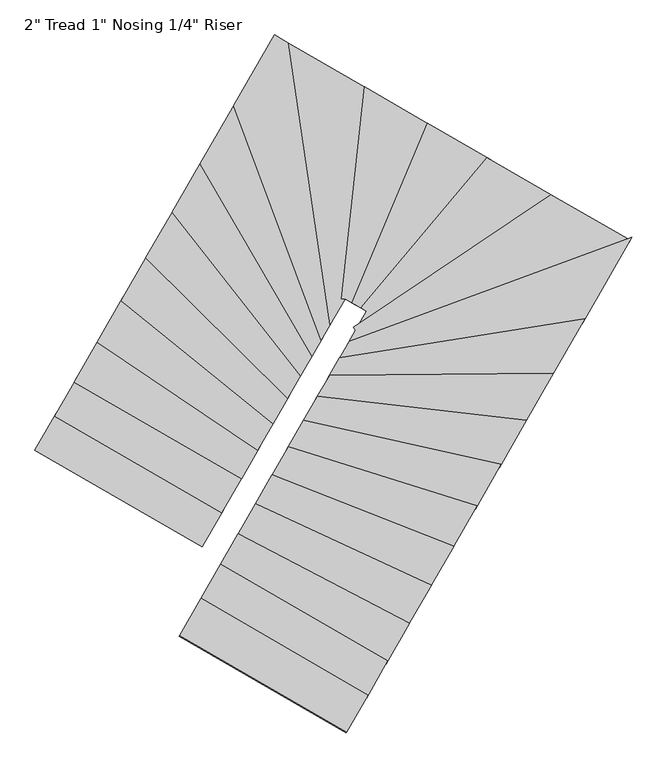
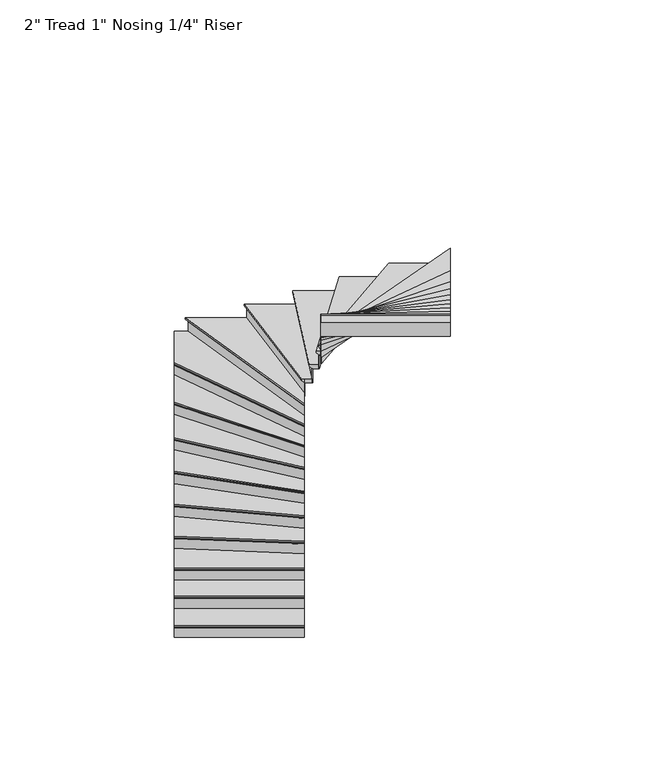
"""IFC4 building model written with IfcOpenShell, lengths in millimetres: stair flight geometry."""

from ifc_helpers import new_model, si_unit, origin, place, context, project, spatial, faceted_brep, source, transform, mapped, element, save


def stair_flight_8d68b787(model_context):
    return source(origin(), model_context, "Body", "Brep", [
        faceted_brep([(55483.3110526, -118094.4424169, 7776.7961538), (55483.3110526, -118094.4424169, 7795.8461538), (54295.3554538, -117408.8419097, 7795.8461538), (54295.3554538, -117408.8419097, 7776.7961538), (55496.0073583, -118072.4432391, 7751.3961538), (54308.0517595, -117386.8427319, 7751.3961538), (55635.6667208, -117830.4522838, 7795.8461538), (54447.7111221, -117144.8517766, 7795.8461538), (54308.0517595, -117386.8427319, 7745.0461538), (54447.7111221, -117144.8517766, 7745.0461538), (55635.6667208, -117830.4522838, 7745.0461538), (55496.0073583, -118072.4432391, 7745.0461538)], [[[0, 1, 2, 3]], [[4, 0, 3, 5]], [[2, 1, 6, 7]], [[8, 9, 10, 11]], [[2, 7, 9, 8, 5, 3]], [[8, 11, 4, 5]], [[6, 1, 0, 4, 11, 10]], [[7, 6, 10, 9]]]),
        faceted_brep([(55496.0073583, -118072.4432391, 7745.0461538), (55496.0073583, -118072.4432391, 7620.0), (55499.1814347, -118066.9434447, 7620.0), (55499.1814347, -118066.9434447, 7745.0461538), (54308.0517595, -117386.8427319, 7745.0461538), (54311.2258359, -117381.3429375, 7745.0461538), (54311.2258359, -117381.3429375, 7620.0), (54308.0517595, -117386.8427319, 7620.0)], [[[0, 1, 2, 3]], [[4, 5, 6, 7]], [[1, 0, 4, 7]], [[2, 1, 7, 6]], [[3, 2, 6, 5]], [[0, 3, 5, 4]]]),
        faceted_brep([(55635.6667208, -117830.4522838, 7920.8923077), (55635.6667208, -117830.4522838, 7745.0461538), (55638.8407972, -117824.9524894, 7745.0461538), (55638.8407972, -117824.9524894, 7920.8923077), (54447.7111221, -117144.8517766, 7920.8923077), (54450.8851985, -117139.3519822, 7920.8923077), (54450.8851985, -117139.3519822, 7745.0461538), (54447.7111221, -117144.8517766, 7745.0461538)], [[[0, 1, 2, 3]], [[4, 5, 6, 7]], [[1, 0, 4, 7]], [[2, 1, 7, 6]], [[3, 2, 6, 5]], [[0, 3, 5, 4]]]),
        faceted_brep([(54435.0148164, -117166.8509544, 7971.6923077), (55622.9704151, -117852.4514616, 7971.6923077), (55775.3260834, -117588.4613285, 7971.6923077), (54587.3704847, -116902.8608213, 7971.6923077), (54447.7111221, -117144.8517766, 7920.8923077), (54587.3704847, -116902.8608213, 7920.8923077), (55775.3260834, -117588.4613285, 7920.8923077), (55635.6667208, -117830.4522838, 7920.8923077), (54447.7111221, -117144.8517766, 7927.2423077), (54435.0148164, -117166.8509544, 7952.6423077), (55635.6667208, -117830.4522838, 7927.2423077), (55622.9704151, -117852.4514616, 7952.6423077)], [[[0, 1, 2, 3]], [[4, 5, 6, 7]], [[0, 3, 5, 4, 8, 9]], [[4, 7, 10, 8]], [[2, 1, 11, 10, 7, 6]], [[3, 2, 6, 5]], [[11, 1, 0, 9]], [[10, 11, 9, 8]]]),
        faceted_brep([(55775.3260834, -117588.4613285, 8096.7384615), (55775.3260834, -117588.4613285, 7920.8923077), (55778.5001598, -117582.9615341, 7920.8923077), (55778.5001598, -117582.9615341, 8096.7384615), (54587.3704847, -116902.8608213, 8096.7384615), (54590.5445611, -116897.3610269, 8096.7384615), (54590.5445611, -116897.3610269, 7920.8923077), (54587.3704847, -116902.8608213, 7920.8923077)], [[[0, 1, 2, 3]], [[4, 5, 6, 7]], [[1, 0, 4, 7]], [[2, 1, 7, 6]], [[3, 2, 6, 5]], [[0, 3, 5, 4]]]),
        faceted_brep([(54574.674179, -116924.8599991, 8147.5384615), (55762.6297777, -117610.4605063, 8147.5384615), (55890.6801358, -117388.5847372, 8147.5384615), (54751.3990709, -116618.6447577, 8147.5384615), (54587.3704847, -116902.8608213, 8096.7384615), (54751.3990709, -116618.6447577, 8096.7384615), (55890.6801358, -117388.5847372, 8096.7384615), (55775.3260834, -117588.4613285, 8096.7384615), (54587.3704847, -116902.8608213, 8103.0884615), (54574.674179, -116924.8599991, 8128.4884615), (55775.3260834, -117588.4613285, 8103.0884615), (55762.6297777, -117610.4605063, 8128.4884615)], [[[0, 1, 2, 3]], [[4, 5, 6, 7]], [[0, 3, 5, 4, 8, 9]], [[4, 7, 10, 8]], [[2, 1, 11, 10, 7, 6]], [[3, 2, 6, 5]], [[11, 1, 0, 9]], [[10, 11, 9, 8]]]),
        faceted_brep([(55890.6801358, -117388.5847372, 8272.5846154), (55890.6801358, -117388.5847372, 8096.7384615), (55893.8622014, -117383.0710997, 8096.7384615), (55893.8622014, -117383.0710997, 8272.5846154), (54751.3990709, -116618.6447577, 8272.5846154), (54754.5811365, -116613.1311202, 8272.5846154), (54754.5811365, -116613.1311202, 8096.7384615), (54751.3990709, -116618.6447577, 8096.7384615)], [[[0, 1, 2, 3]], [[4, 5, 6, 7]], [[1, 0, 4, 7]], [[2, 1, 7, 6]], [[3, 2, 6, 5]], [[0, 3, 5, 4]]]),
        faceted_brep([(54738.6708085, -116640.6993076, 8323.3846154), (55877.9518734, -117410.6392871, 8323.3846154), (56000.9924459, -117197.4440874, 8323.3846154), (54920.6524828, -116325.3755198, 8323.3846154), (54751.3990709, -116618.6447577, 8272.5846154), (54920.6524828, -116325.3755198, 8272.5846154), (56000.9924459, -117197.4440874, 8272.5846154), (55890.6801358, -117388.5847372, 8272.5846154), (54751.3990709, -116618.6447577, 8278.9346154), (54738.6708085, -116640.6993076, 8304.3346154), (55890.6801358, -117388.5847372, 8278.9346154), (55877.9518734, -117410.6392871, 8304.3346154)], [[[0, 1, 2, 3]], [[4, 5, 6, 7]], [[0, 3, 5, 4, 8, 9]], [[4, 7, 10, 8]], [[2, 1, 11, 10, 7, 6]], [[3, 2, 6, 5]], [[11, 1, 0, 9]], [[10, 11, 9, 8]]]),
        faceted_brep([(56000.9924459, -117197.4440874, 8448.4307692), (56000.9924459, -117197.4440874, 8272.5846154), (56004.2053861, -117191.8769528, 8272.5846154), (56004.2053861, -117191.8769528, 8448.4307692), (54920.6524828, -116325.3755198, 8448.4307692), (54923.865423, -116319.8083852, 8448.4307692), (54923.865423, -116319.8083852, 8272.5846154), (54920.6524828, -116325.3755198, 8272.5846154)], [[[0, 1, 2, 3]], [[4, 5, 6, 7]], [[1, 0, 4, 7]], [[2, 1, 7, 6]], [[3, 2, 6, 5]], [[0, 3, 5, 4]]]),
        faceted_brep([(54907.8007219, -116347.6440583, 8499.2307692), (55988.1406851, -117219.7126259, 8499.2307692), (56104.509378, -117018.0779439, 8499.2307692), (55097.0082074, -116019.7999431, 8499.2307692), (54920.6524828, -116325.3755198, 8448.4307692), (55097.0082074, -116019.7999431, 8448.4307692), (56104.509378, -117018.0779439, 8448.4307692), (56000.9924459, -117197.4440874, 8448.4307692), (54920.6524828, -116325.3755198, 8454.7807692), (54907.8007219, -116347.6440583, 8480.1807692), (56000.9924459, -117197.4440874, 8454.7807692), (55988.1406851, -117219.7126259, 8480.1807692)], [[[0, 1, 2, 3]], [[4, 5, 6, 7]], [[0, 3, 5, 4, 8, 9]], [[4, 7, 10, 8]], [[2, 1, 11, 10, 7, 6]], [[3, 2, 6, 5]], [[11, 1, 0, 9]], [[10, 11, 9, 8]]]),
        faceted_brep([(56104.509378, -117018.0779439, 8624.2769231), (56104.509378, -117018.0779439, 8448.4307692), (56107.7915596, -117012.390833, 8448.4307692), (56107.7915596, -117012.390833, 8624.2769231), (55097.0082074, -116019.7999431, 8624.2769231), (55100.290389, -116014.1128323, 8624.2769231), (55100.290389, -116014.1128323, 8448.4307692), (55097.0082074, -116019.7999431, 8448.4307692)], [[[0, 1, 2, 3]], [[4, 5, 6, 7]], [[1, 0, 4, 7]], [[2, 1, 7, 6]], [[3, 2, 6, 5]], [[0, 3, 5, 4]]]),
        faceted_brep([(55083.8794808, -116042.5483864, 8675.0769231), (56091.3806514, -117040.8263872, 8675.0769231), (56198.549806, -116855.1319544, 8675.0769231), (55283.3574622, -115696.9083492, 8675.0769231), (55097.0082074, -116019.7999431, 8624.2769231), (55283.3574622, -115696.9083492, 8624.2769231), (56198.549806, -116855.1319544, 8624.2769231), (56104.509378, -117018.0779439, 8624.2769231), (55097.0082074, -116019.7999431, 8630.6269231), (55083.8794808, -116042.5483864, 8656.0269231), (56104.509378, -117018.0779439, 8630.6269231), (56091.3806514, -117040.8263872, 8656.0269231)], [[[0, 1, 2, 3]], [[4, 5, 6, 7]], [[0, 3, 5, 4, 8, 9]], [[4, 7, 10, 8]], [[2, 1, 11, 10, 7, 6]], [[3, 2, 6, 5]], [[11, 1, 0, 9]], [[10, 11, 9, 8]]]),
        faceted_brep([(56198.549806, -116855.1319544, 8800.1230769), (56198.549806, -116855.1319544, 8624.2769231), (56201.9658574, -116849.2128845, 8624.2769231), (56201.9658574, -116849.2128845, 8800.1230769), (55283.3574622, -115696.9083492, 8800.1230769), (55286.7735135, -115690.9892793, 8800.1230769), (55286.7735135, -115690.9892793, 8624.2769231), (55283.3574622, -115696.9083492, 8624.2769231)], [[[0, 1, 2, 3]], [[4, 5, 6, 7]], [[1, 0, 4, 7]], [[2, 1, 7, 6]], [[3, 2, 6, 5]], [[0, 3, 5, 4]]]),
        faceted_brep([(55269.6932567, -115720.5846289, 8850.9230769), (56184.8856006, -116878.8082341, 8850.9230769), (56278.789449, -116716.0988994, 8850.9230769), (55484.3868905, -115348.5800845, 8850.9230769), (55283.3574622, -115696.9083492, 8800.1230769), (55484.3868905, -115348.5800845, 8800.1230769), (56278.789449, -116716.0988994, 8800.1230769), (56198.549806, -116855.1319544, 8800.1230769), (55283.3574622, -115696.9083492, 8806.4730769), (55269.6932567, -115720.5846289, 8831.8730769), (56198.549806, -116855.1319544, 8806.4730769), (56184.8856006, -116878.8082341, 8831.8730769)], [[[0, 1, 2, 3]], [[4, 5, 6, 7]], [[0, 3, 5, 4, 8, 9]], [[4, 7, 10, 8]], [[2, 1, 11, 10, 7, 6]], [[3, 2, 6, 5]], [[11, 1, 0, 9]], [[10, 11, 9, 8]]]),
        faceted_brep([(56278.789449, -116716.0988994, 8975.9692308), (56278.789449, -116716.0988994, 8800.1230769), (56282.4492936, -116709.7574033, 8800.1230769), (56282.4492936, -116709.7574033, 8975.9692308), (55484.3868905, -115348.5800845, 8975.9692308), (55488.0467351, -115342.2385885, 8975.9692308), (55488.0467351, -115342.2385885, 8800.1230769), (55484.3868905, -115348.5800845, 8800.1230769)], [[[0, 1, 2, 3]], [[4, 5, 6, 7]], [[1, 0, 4, 7]], [[2, 1, 7, 6]], [[3, 2, 6, 5]], [[0, 3, 5, 4]]]),
        faceted_brep([(55469.747512, -115373.9460688, 9026.7692308), (56264.1500704, -116741.4648836, 9026.7692308), (56345.5625152, -116600.3996882, 9026.7692308), (55723.7276855, -114933.8688432, 9026.7692308), (55484.3868905, -115348.5800845, 8975.9692308), (55723.7276855, -114933.8688432, 8975.9692308), (56345.5625152, -116600.3996882, 8975.9692308), (56278.789449, -116716.0988994, 8975.9692308), (55484.3868905, -115348.5800845, 8982.3192308), (55469.747512, -115373.9460688, 9007.7192308), (56278.789449, -116716.0988994, 8982.3192308), (56264.1500704, -116741.4648836, 9007.7192308)], [[[0, 1, 2, 3]], [[4, 5, 6, 7]], [[0, 3, 5, 4, 8, 9]], [[4, 7, 10, 8]], [[2, 1, 11, 10, 7, 6]], [[3, 2, 6, 5]], [[11, 1, 0, 9]], [[10, 11, 9, 8]]]),
        faceted_brep([(56345.5625152, -116600.3996882, 9151.8153846), (56345.5625152, -116600.3996882, 8975.9692308), (56349.6788281, -116593.2672591, 8975.9692308), (56349.6788281, -116593.2672591, 9151.8153846), (55723.7276855, -114933.8688432, 9151.8153846), (55727.8439985, -114926.736414, 9151.8153846), (55727.8439985, -114926.736414, 8975.9692308), (55723.7276855, -114933.8688432, 8975.9692308)], [[[0, 1, 2, 3]], [[4, 5, 6, 7]], [[1, 0, 4, 7]], [[2, 1, 7, 6]], [[3, 2, 6, 5]], [[0, 3, 5, 4]]]),
        faceted_brep([(56127.1982329, -114535.1385758, 9202.6153846), (55997.1584277, -114460.0891745, 9202.6153846), (55707.2624336, -114962.3985598, 9202.6153846), (56329.0972633, -116628.9294049, 9202.6153846), (56413.1773754, -116483.2418815, 9202.6153846), (55997.1584277, -114460.0891745, 9151.8153846), (56127.1982329, -114535.1385758, 9151.8153846), (56413.1773754, -116483.2418815, 9151.8153846), (56345.5625152, -116600.3996882, 9151.8153846), (55723.7276855, -114933.8688432, 9151.8153846), (56345.5625152, -116600.3996882, 9158.1653846), (55723.7276855, -114933.8688432, 9158.1653846), (56329.0972633, -116628.9294049, 9183.5653846), (55707.2624336, -114962.3985598, 9183.5653846)], [[[0, 1, 2, 3, 4]], [[5, 6, 7, 8, 9]], [[1, 0, 6, 5]], [[9, 8, 10, 11]], [[4, 3, 12, 10, 8, 7]], [[0, 4, 7, 6]], [[12, 3, 2, 13]], [[10, 12, 13, 11]], [[2, 1, 5, 9, 11, 13]]]),
        faceted_brep([(56413.1773754, -116483.2418815, 9327.6615385), (56413.1773754, -116483.2418815, 9151.8153846), (56418.2939673, -116474.3762462, 9151.8153846), (56418.2939673, -116474.3762462, 9327.6615385), (56127.1982329, -114535.1385758, 9327.6615385), (56134.2103671, -114539.1854634, 9327.6615385), (56134.2103671, -114539.1854634, 9151.8153846), (56127.1982329, -114535.1385758, 9151.8153846)], [[[0, 1, 2, 3]], [[4, 5, 6, 7]], [[1, 0, 4, 7]], [[2, 1, 7, 6]], [[3, 2, 6, 5]], [[0, 3, 5, 4]]]),
        faceted_brep([(56099.149696, -114518.9510254, 9378.4615385), (56392.7110076, -116518.7044225, 9378.4615385), (56498.6326324, -116335.1716132, 9378.4615385), (56660.5784854, -114842.9663868, 9378.4615385), (56127.1982329, -114535.1385758, 9327.6615385), (56660.5784854, -114842.9663868, 9327.6615385), (56498.6326324, -116335.1716132, 9327.6615385), (56413.1773754, -116483.2418815, 9327.6615385), (56127.1982329, -114535.1385758, 9334.0115385), (56099.149696, -114518.9510254, 9359.4115385), (56413.1773754, -116483.2418815, 9334.0115385), (56392.7110076, -116518.7044225, 9359.4115385)], [[[0, 1, 2, 3]], [[4, 5, 6, 7]], [[0, 3, 5, 4, 8, 9]], [[4, 7, 10, 8]], [[2, 1, 11, 10, 7, 6]], [[3, 2, 6, 5]], [[11, 1, 0, 9]], [[10, 11, 9, 8]]]),
        faceted_brep([(56498.6326324, -116335.1716132, 9503.5076923), (56498.6326324, -116335.1716132, 9327.6615385), (56504.9455634, -116335.8567421, 9327.6615385), (56504.9455634, -116335.8567421, 9503.5076923), (56660.5784854, -114842.9663868, 9503.5076923), (56666.5892895, -114846.4353804, 9503.5076923), (56666.5892895, -114846.4353804, 9327.6615385), (56660.5784854, -114842.9663868, 9327.6615385)], [[[0, 1, 2, 3]], [[4, 5, 6, 7]], [[1, 0, 4, 7]], [[2, 1, 7, 6]], [[3, 2, 6, 5]], [[0, 3, 5, 4]]]),
        faceted_brep([(56636.5352688, -114829.0904124, 9554.3076923), (56473.3809082, -116332.4310974, 9554.3076923), (56498.6326324, -116335.1716132, 9554.3076923), (56499.5135193, -116333.6452804, 9554.3076923), (56571.8409572, -116375.3873524, 9554.3076923), (57105.7801082, -115099.9039851, 9554.3076923), (56660.5784854, -114842.9663868, 9503.5076923), (57105.7801082, -115099.9039851, 9503.5076923), (56571.8409572, -116375.3873524, 9503.5076923), (56499.5135193, -116333.6452804, 9503.5076923), (56498.6326324, -116335.1716132, 9503.5076923), (56660.5784854, -114842.9663868, 9509.8576923), (56636.5352688, -114829.0904124, 9535.2576923), (56498.6326324, -116335.1716132, 9509.8576923), (56473.3809082, -116332.4310974, 9535.2576923)], [[[0, 1, 2, 3, 4, 5]], [[6, 7, 8, 9, 10]], [[0, 5, 7, 6, 11, 12]], [[6, 10, 13, 11]], [[3, 2, 13, 10, 9]], [[4, 3, 9, 8]], [[5, 4, 8, 7]], [[14, 1, 0, 12]], [[13, 14, 12, 11]], [[1, 14, 13, 2]]]),
        faceted_brep([(56571.8409572, -116375.3873524, 9679.3538462), (56571.8409572, -116375.3873524, 9503.5076923), (56577.3853899, -116378.5871907, 9503.5076923), (56577.3853899, -116378.5871907, 9679.3538462), (57105.7801082, -115099.9039851, 9679.3538462), (57111.3245409, -115103.1038234, 9679.3538462), (57111.3245409, -115103.1038234, 9503.5076923), (57105.7801082, -115099.9039851, 9503.5076923)], [[[0, 1, 2, 3]], [[4, 5, 6, 7]], [[1, 0, 4, 7]], [[2, 1, 7, 6]], [[3, 2, 6, 5]], [[0, 3, 5, 4]]]),
        faceted_brep([(57083.6023775, -115087.1046318, 9730.1538462), (56549.6632265, -116362.5879991, 9730.1538462), (56634.3598376, -116411.4686472, 9730.1538462), (57528.8643257, -115344.0770455, 9730.1538462), (57105.7801082, -115099.9039851, 9679.3538462), (57528.8643257, -115344.0770455, 9679.3538462), (56634.3598376, -116411.4686472, 9679.3538462), (56571.8409572, -116375.3873524, 9679.3538462), (57105.7801082, -115099.9039851, 9685.7038462), (57083.6023775, -115087.1046318, 9711.1038462), (56571.8409572, -116375.3873524, 9685.7038462), (56549.6632265, -116362.5879991, 9711.1038462)], [[[0, 1, 2, 3]], [[4, 5, 6, 7]], [[0, 3, 5, 4, 8, 9]], [[4, 7, 10, 8]], [[3, 2, 6, 5]], [[11, 1, 0, 9]], [[10, 11, 9, 8]], [[2, 1, 11, 10, 7, 6]]]),
        faceted_brep([(56634.3598376, -116411.4686472, 9855.2), (56634.3598376, -116411.4686472, 9679.3538462), (56639.9440219, -116414.6914272, 9679.3538462), (56639.9440219, -116414.6914272, 9855.2), (57528.8643257, -115344.0770455, 9855.2), (57534.44851, -115347.2998255, 9855.2), (57534.44851, -115347.2998255, 9679.3538462), (57528.8643257, -115344.0770455, 9679.3538462)], [[[0, 1, 2, 3]], [[4, 5, 6, 7]], [[1, 0, 4, 7]], [[2, 1, 7, 6]], [[3, 2, 6, 5]], [[0, 3, 5, 4]]]),
        faceted_brep([(57506.5275886, -115331.1859254, 9906.0), (56612.0231004, -116398.577527, 9906.0), (56652.4189133, -116421.891016, 9906.0), (56575.4284532, -116555.294138, 9906.0), (57985.3178432, -115607.508409, 9906.0), (57528.8643257, -115344.0770455, 9855.2), (57985.3178432, -115607.508409, 9855.2), (56575.4284532, -116555.294138, 9855.2), (56652.4189133, -116421.891016, 9855.2), (56634.3598376, -116411.4686472, 9855.2), (57528.8643257, -115344.0770455, 9861.55), (57506.5275886, -115331.1859254, 9886.95), (56634.3598376, -116411.4686472, 9861.55), (56612.0231004, -116398.577527, 9886.95)], [[[0, 1, 2, 3, 4]], [[5, 6, 7, 8, 9]], [[0, 4, 6, 5, 10, 11]], [[5, 9, 12, 10]], [[2, 1, 13, 12, 9, 8]], [[4, 3, 7, 6]], [[13, 1, 0, 11]], [[12, 13, 11, 10]], [[3, 2, 8, 7]]]),
        faceted_brep([(56575.4284532, -116555.294138, 10031.0461538), (56575.4284532, -116555.294138, 9855.2), (56578.9711115, -116560.5640595, 9855.2), (56578.9711115, -116560.5640595, 10031.0461538), (57985.3178432, -115607.508409, 10031.0461538), (57991.4420956, -115611.0428765, 10031.0461538), (57991.4420956, -115611.0428765, 9855.2), (57985.3178432, -115607.508409, 9855.2)], [[[0, 1, 2, 3]], [[4, 5, 6, 7]], [[1, 0, 4, 7]], [[2, 1, 7, 6]], [[3, 2, 6, 5]], [[0, 3, 5, 4]]]),
        faceted_brep([(58518.7914816, -115931.9830035, 10081.8461538), (58525.9750192, -115919.5359245, 10081.8461538), (57960.8208337, -115593.3705387, 10081.8461538), (56561.25782, -116534.2144522, 10081.8461538), (56575.4284532, -116555.294138, 10081.8461538), (56509.6610007, -116669.2508994, 10081.8461538), (58525.9750192, -115919.5359245, 10031.0461538), (58518.7914816, -115931.9830035, 10031.0461538), (56509.6610007, -116669.2508994, 10031.0461538), (56575.4284532, -116555.294138, 10031.0461538), (57985.3178432, -115607.508409, 10031.0461538), (56575.4284532, -116555.294138, 10037.3961538), (57985.3178432, -115607.508409, 10037.3961538), (56561.25782, -116534.2144522, 10062.7961538), (57960.8208337, -115593.3705387, 10062.7961538)], [[[0, 1, 2, 3, 4, 5]], [[6, 7, 8, 9, 10]], [[1, 0, 7, 6]], [[10, 9, 11, 12]], [[5, 4, 11, 9, 8]], [[0, 5, 8, 7]], [[13, 3, 2, 14]], [[11, 13, 14, 12]], [[3, 13, 11, 4]], [[2, 1, 6, 10, 12, 14]]]),
        faceted_brep([(56509.6610007, -116669.2508994, 10206.8923077), (56509.6610007, -116669.2508994, 10031.0461538), (56504.7084302, -116677.832331, 10031.0461538), (56504.7084302, -116677.832331, 10206.8923077), (58518.7914816, -115931.9830035, 10206.8923077), (58513.8389111, -115940.5644351, 10206.8923077), (58513.8389111, -115940.5644351, 10031.0461538), (58518.7914816, -115931.9830035, 10031.0461538)], [[[0, 1, 2, 3]], [[4, 5, 6, 7]], [[1, 0, 4, 7]], [[2, 1, 7, 6]], [[3, 2, 6, 5]], [[0, 3, 5, 4]]]),
        faceted_brep([(58538.6017635, -115897.6572772, 10257.6923077), (56529.4712826, -116634.9251731, 10257.6923077), (56444.5185758, -116782.1246613, 10257.6923077), (58188.8462907, -116503.6865433, 10257.6923077), (58518.7914816, -115931.9830035, 10206.8923077), (58188.8462907, -116503.6865433, 10206.8923077), (56444.5185758, -116782.1246613, 10206.8923077), (56509.6610007, -116669.2508994, 10206.8923077), (58518.7914816, -115931.9830035, 10213.2423077), (58538.6017635, -115897.6572772, 10238.6423077), (56509.6610007, -116669.2508994, 10213.2423077), (56529.4712826, -116634.9251731, 10238.6423077)], [[[0, 1, 2, 3]], [[4, 5, 6, 7]], [[0, 3, 5, 4, 8, 9]], [[4, 7, 10, 8]], [[2, 1, 11, 10, 7, 6]], [[3, 2, 6, 5]], [[11, 1, 0, 9]], [[10, 11, 9, 8]]]),
        faceted_brep([(56444.5185758, -116782.1246613, 10382.7384615), (56444.5185758, -116782.1246613, 10206.8923077), (56440.4308514, -116789.2075543, 10206.8923077), (56440.4308514, -116789.2075543, 10382.7384615), (58188.8462907, -116503.6865433, 10382.7384615), (58184.7585663, -116510.7694363, 10382.7384615), (58184.7585663, -116510.7694363, 10206.8923077), (58188.8462907, -116503.6865433, 10206.8923077)], [[[0, 1, 2, 3]], [[4, 5, 6, 7]], [[1, 0, 4, 7]], [[2, 1, 7, 6]], [[3, 2, 6, 5]], [[0, 3, 5, 4]]]),
        faceted_brep([(58205.1971881, -116475.3549712, 10433.5384615), (56460.8694732, -116753.7930892, 10433.5384615), (56376.1510211, -116900.5866789, 10433.5384615), (57966.7396718, -116888.5357354, 10433.5384615), (58188.8462907, -116503.6865433, 10382.7384615), (57966.7396718, -116888.5357354, 10382.7384615), (56376.1510211, -116900.5866789, 10382.7384615), (56444.5185758, -116782.1246613, 10382.7384615), (58188.8462907, -116503.6865433, 10389.0884615), (58205.1971881, -116475.3549712, 10414.4884615), (56444.5185758, -116782.1246613, 10389.0884615), (56460.8694732, -116753.7930892, 10414.4884615)], [[[0, 1, 2, 3]], [[4, 5, 6, 7]], [[0, 3, 5, 4, 8, 9]], [[4, 7, 10, 8]], [[2, 1, 11, 10, 7, 6]], [[3, 2, 6, 5]], [[11, 1, 0, 9]], [[10, 11, 9, 8]]]),
        faceted_brep([(56376.1510211, -116900.5866789, 10558.5846154), (56376.1510211, -116900.5866789, 10382.7384615), (56372.4700683, -116906.9647496, 10382.7384615), (56372.4700683, -116906.9647496, 10558.5846154), (57966.7396718, -116888.5357354, 10558.5846154), (57963.0587191, -116894.9138061, 10558.5846154), (57963.0587191, -116894.9138061, 10382.7384615), (57966.7396718, -116888.5357354, 10382.7384615)], [[[0, 1, 2, 3]], [[4, 5, 6, 7]], [[1, 0, 4, 7]], [[2, 1, 7, 6]], [[3, 2, 6, 5]], [[0, 3, 5, 4]]]),
        faceted_brep([(57981.463483, -116863.0234529, 10609.3846154), (56390.8748322, -116875.0743964, 10609.3846154), (56290.9193651, -117048.2695086, 10609.3846154), (57774.4483697, -117221.7232499, 10609.3846154), (57966.7396718, -116888.5357354, 10558.5846154), (57774.4483697, -117221.7232499, 10558.5846154), (56290.9193651, -117048.2695086, 10558.5846154), (56376.1510211, -116900.5866789, 10558.5846154), (57966.7396718, -116888.5357354, 10564.9346154), (57981.463483, -116863.0234529, 10590.3346154), (56376.1510211, -116900.5866789, 10564.9346154), (56390.8748322, -116875.0743964, 10590.3346154)], [[[0, 1, 2, 3]], [[4, 5, 6, 7]], [[0, 3, 5, 4, 8, 9]], [[4, 7, 10, 8]], [[2, 1, 11, 10, 7, 6]], [[3, 2, 6, 5]], [[11, 1, 0, 9]], [[10, 11, 9, 8]]]),
        faceted_brep([(56290.9193651, -117048.2695086, 10734.4307692), (56290.9193651, -117048.2695086, 10558.5846154), (56287.4628832, -117054.2586334, 10558.5846154), (56287.4628832, -117054.2586334, 10734.4307692), (57774.4483697, -117221.7232499, 10734.4307692), (57770.9918878, -117227.7123748, 10734.4307692), (57770.9918878, -117227.7123748, 10558.5846154), (57774.4483697, -117221.7232499, 10558.5846154)], [[[0, 1, 2, 3]], [[4, 5, 6, 7]], [[1, 0, 4, 7]], [[2, 1, 7, 6]], [[3, 2, 6, 5]], [[0, 3, 5, 4]]]),
        faceted_brep([(57788.2742973, -117197.7667506, 10785.2307692), (56304.7452927, -117024.3130093, 10785.2307692), (56191.8685282, -117219.8971475, 10785.2307692), (57595.2160841, -117532.2831094, 10785.2307692), (57774.4483697, -117221.7232499, 10734.4307692), (57595.2160841, -117532.2831094, 10734.4307692), (56191.8685282, -117219.8971475, 10734.4307692), (56290.9193651, -117048.2695086, 10734.4307692), (57774.4483697, -117221.7232499, 10740.7807692), (57788.2742973, -117197.7667506, 10766.1807692), (56290.9193651, -117048.2695086, 10740.7807692), (56304.7452927, -117024.3130093, 10766.1807692)], [[[0, 1, 2, 3]], [[4, 5, 6, 7]], [[0, 3, 5, 4, 8, 9]], [[4, 7, 10, 8]], [[2, 1, 11, 10, 7, 6]], [[3, 2, 6, 5]], [[11, 1, 0, 9]], [[10, 11, 9, 8]]]),
        faceted_brep([(56191.8685282, -117219.8971475, 10910.2769231), (56191.8685282, -117219.8971475, 10734.4307692), (56188.5414966, -117225.6619707, 10734.4307692), (56188.5414966, -117225.6619707, 10910.2769231), (57595.2160841, -117532.2831094, 10910.2769231), (57591.8890526, -117538.0479327, 10910.2769231), (57591.8890526, -117538.0479327, 10734.4307692), (57595.2160841, -117532.2831094, 10734.4307692)], [[[0, 1, 2, 3]], [[4, 5, 6, 7]], [[1, 0, 4, 7]], [[2, 1, 7, 6]], [[3, 2, 6, 5]], [[0, 3, 5, 4]]]),
        faceted_brep([(57608.5242104, -117509.2238162, 10961.0769231), (56205.1766544, -117196.8378543, 10961.0769231), (56083.6564667, -117407.3986486, 10961.0769231), (57424.7076798, -117827.7269013, 10961.0769231), (57595.2160841, -117532.2831094, 10910.2769231), (57424.7076798, -117827.7269013, 10910.2769231), (56083.6564667, -117407.3986486, 10910.2769231), (56191.8685282, -117219.8971475, 10910.2769231), (57595.2160841, -117532.2831094, 10916.6269231), (57608.5242104, -117509.2238162, 10942.0269231), (56191.8685282, -117219.8971475, 10916.6269231), (56205.1766544, -117196.8378543, 10942.0269231)], [[[0, 1, 2, 3]], [[4, 5, 6, 7]], [[0, 3, 5, 4, 8, 9]], [[4, 7, 10, 8]], [[2, 1, 11, 10, 7, 6]], [[3, 2, 6, 5]], [[11, 1, 0, 9]], [[10, 11, 9, 8]]]),
        faceted_brep([(56083.6564667, -117407.3986486, 11086.1230769), (56083.6564667, -117407.3986486, 10910.2769231), (56080.4042175, -117413.0338947, 10910.2769231), (56080.4042175, -117413.0338947, 11086.1230769), (57424.7076798, -117827.7269013, 11086.1230769), (57421.4554306, -117833.3621474, 11086.1230769), (57421.4554306, -117833.3621474, 10910.2769231), (57424.7076798, -117827.7269013, 10910.2769231)], [[[0, 1, 2, 3]], [[4, 5, 6, 7]], [[1, 0, 4, 7]], [[2, 1, 7, 6]], [[3, 2, 6, 5]], [[0, 3, 5, 4]]]),
        faceted_brep([(57437.7166764, -117805.1859169, 11136.9230769), (56096.6654633, -117384.8576642, 11136.9230769), (55969.0639488, -117605.9557118, 11136.9230769), (57260.3202403, -118112.5647581, 11136.9230769), (57424.7076798, -117827.7269013, 11086.1230769), (57260.3202403, -118112.5647581, 11086.1230769), (55969.0639488, -117605.9557118, 11086.1230769), (56083.6564667, -117407.3986486, 11086.1230769), (57424.7076798, -117827.7269013, 11092.4730769), (57437.7166764, -117805.1859169, 11117.8730769), (56083.6564667, -117407.3986486, 11092.4730769), (56096.6654633, -117384.8576642, 11117.8730769)], [[[0, 1, 2, 3]], [[4, 5, 6, 7]], [[0, 3, 5, 4, 8, 9]], [[4, 7, 10, 8]], [[2, 1, 11, 10, 7, 6]], [[3, 2, 6, 5]], [[11, 1, 0, 9]], [[10, 11, 9, 8]]]),
        faceted_brep([(55969.0639488, -117605.9557118, 11261.9692308), (55969.0639488, -117605.9557118, 11086.1230769), (55965.8540456, -117611.517584, 11086.1230769), (55965.8540456, -117611.517584, 11261.9692308), (57260.3202403, -118112.5647581, 11261.9692308), (57257.1103371, -118118.1266303, 11261.9692308), (57257.1103371, -118118.1266303, 11086.1230769), (57260.3202403, -118112.5647581, 11086.1230769)], [[[0, 1, 2, 3]], [[4, 5, 6, 7]], [[1, 0, 4, 7]], [[2, 1, 7, 6]], [[3, 2, 6, 5]], [[0, 3, 5, 4]]]),
        faceted_brep([(57273.159853, -118090.317269, 11312.7692308), (55981.9035615, -117583.7082227, 11312.7692308), (55849.8518315, -117812.5172599, 11312.7692308), (57100.3946609, -118389.6714484, 11312.7692308), (57260.3202403, -118112.5647581, 11261.9692308), (57100.3946609, -118389.6714484, 11261.9692308), (55849.8518315, -117812.5172599, 11261.9692308), (55969.0639488, -117605.9557118, 11261.9692308), (57260.3202403, -118112.5647581, 11268.3192308), (57273.159853, -118090.317269, 11293.7192308), (55969.0639488, -117605.9557118, 11268.3192308), (55981.9035615, -117583.7082227, 11293.7192308)], [[[0, 1, 2, 3]], [[4, 5, 6, 7]], [[0, 3, 5, 4, 8, 9]], [[4, 7, 10, 8]], [[2, 1, 11, 10, 7, 6]], [[3, 2, 6, 5]], [[11, 1, 0, 9]], [[10, 11, 9, 8]]]),
        faceted_brep([(55849.8518315, -117812.5172599, 11437.8153846), (55849.8518315, -117812.5172599, 11261.9692308), (55846.6645569, -117818.0399232, 11261.9692308), (55846.6645569, -117818.0399232, 11437.8153846), (57100.3946609, -118389.6714484, 11437.8153846), (57097.2073863, -118395.1941116, 11437.8153846), (57097.2073863, -118395.1941116, 11261.9692308), (57100.3946609, -118389.6714484, 11261.9692308)], [[[0, 1, 2, 3]], [[4, 5, 6, 7]], [[1, 0, 4, 7]], [[2, 1, 7, 6]], [[3, 2, 6, 5]], [[0, 3, 5, 4]]]),
        faceted_brep([(57113.1437594, -118367.5807953, 11488.6153846), (55862.60093, -117790.4266069, 11488.6153846), (55727.1885415, -118025.0587336, 11488.6153846), (56943.8226061, -118660.9674104, 11488.6153846), (57100.3946609, -118389.6714484, 11437.8153846), (56943.8226061, -118660.9674104, 11437.8153846), (55727.1885415, -118025.0587336, 11437.8153846), (55849.8518315, -117812.5172599, 11437.8153846), (57100.3946609, -118389.6714484, 11444.1653846), (57113.1437594, -118367.5807953, 11469.5653846), (55849.8518315, -117812.5172599, 11444.1653846), (55862.60093, -117790.4266069, 11469.5653846)], [[[0, 1, 2, 3]], [[4, 5, 6, 7]], [[0, 3, 5, 4, 8, 9]], [[4, 7, 10, 8]], [[2, 1, 11, 10, 7, 6]], [[3, 2, 6, 5]], [[11, 1, 0, 9]], [[10, 11, 9, 8]]]),
        faceted_brep([(55727.1885415, -118025.0587336, 11613.6615385), (55727.1885415, -118025.0587336, 11437.8153846), (55724.0116894, -118030.5633375, 11437.8153846), (55724.0116894, -118030.5633375, 11613.6615385), (56943.8226061, -118660.9674104, 11613.6615385), (56940.645754, -118666.4720143, 11613.6615385), (56940.645754, -118666.4720143, 11437.8153846), (56943.8226061, -118660.9674104, 11437.8153846)], [[[0, 1, 2, 3]], [[4, 5, 6, 7]], [[1, 0, 4, 7]], [[2, 1, 7, 6]], [[3, 2, 6, 5]], [[0, 3, 5, 4]]]),
        faceted_brep([(56956.5300144, -118638.9489948, 11664.4615385), (55739.8959498, -118003.040318, 11664.4615385), (55601.8795145, -118242.1845359, 11664.4615385), (56789.8351132, -118927.7850431, 11664.4615385), (56943.8226061, -118660.9674104, 11613.6615385), (56789.8351132, -118927.7850431, 11613.6615385), (55601.8795145, -118242.1845359, 11613.6615385), (55727.1885415, -118025.0587336, 11613.6615385), (56943.8226061, -118660.9674104, 11620.0115385), (56956.5300144, -118638.9489948, 11645.4115385), (55727.1885415, -118025.0587336, 11620.0115385), (55739.8959498, -118003.040318, 11645.4115385)], [[[0, 1, 2, 3]], [[4, 5, 6, 7]], [[0, 3, 5, 4, 8, 9]], [[4, 7, 10, 8]], [[2, 1, 11, 10, 7, 6]], [[3, 2, 6, 5]], [[11, 1, 0, 9]], [[10, 11, 9, 8]]]),
        faceted_brep([(55601.8795145, -118242.1845359, 11789.5076923), (55601.8795145, -118242.1845359, 11613.6615385), (55598.7054381, -118247.6843303, 11613.6615385), (55598.7054381, -118247.6843303, 11789.5076923), (56789.8351132, -118927.7850431, 11789.5076923), (56786.6610368, -118933.2848375, 11789.5076923), (56786.6610368, -118933.2848375, 11613.6615385), (56789.8351132, -118927.7850431, 11613.6615385)], [[[0, 1, 2, 3]], [[4, 5, 6, 7]], [[1, 0, 4, 7]], [[2, 1, 7, 6]], [[3, 2, 6, 5]], [[0, 3, 5, 4]]]),
        faceted_brep([(56802.5314189, -118905.7858653, 11840.3076923), (55614.5758202, -118220.1853581, 11840.3076923), (55462.2201519, -118484.1754912, 11840.3076923), (56650.1757506, -119169.7759984, 11840.3076923), (56789.8351132, -118927.7850431, 11789.5076923), (56650.1757506, -119169.7759984, 11789.5076923), (55462.2201519, -118484.1754912, 11789.5076923), (55601.8795145, -118242.1845359, 11789.5076923), (56789.8351132, -118927.7850431, 11795.8576923), (56802.5314189, -118905.7858653, 11821.2576923), (55601.8795145, -118242.1845359, 11795.8576923), (55614.5758202, -118220.1853581, 11821.2576923)], [[[0, 1, 2, 3]], [[4, 5, 6, 7]], [[0, 3, 5, 4, 8, 9]], [[4, 7, 10, 8]], [[2, 1, 11, 10, 7, 6]], [[3, 2, 6, 5]], [[11, 1, 0, 9]], [[10, 11, 9, 8]]]),
        faceted_brep([(55462.2201519, -118484.1754912, 11965.3538462), (55462.2201519, -118484.1754912, 11789.5076923), (55459.0460755, -118489.6752856, 11789.5076923), (55459.0460755, -118489.6752856, 11965.3538462), (56650.1757506, -119169.7759984, 11965.3538462), (56647.0016742, -119175.2757928, 11965.3538462), (56647.0016742, -119175.2757928, 11789.5076923), (56650.1757506, -119169.7759984, 11789.5076923)], [[[0, 1, 2, 3]], [[4, 5, 6, 7]], [[1, 0, 4, 7]], [[2, 1, 7, 6]], [[3, 2, 6, 5]], [[0, 3, 5, 4]]]),
        faceted_brep([(55322.5607893, -118726.1664465, 12141.2), (55322.5607893, -118726.1664465, 11965.3538462), (55319.3867129, -118731.6662409, 11965.3538462), (55319.3867129, -118731.6662409, 12141.2), (56510.5163881, -119411.7669537, 12141.2), (56507.3423116, -119417.2667481, 12141.2), (56507.3423116, -119417.2667481, 11965.3538462), (56510.5163881, -119411.7669537, 11965.3538462)], [[[0, 1, 2, 3]], [[4, 5, 6, 7]], [[1, 0, 4, 7]], [[2, 1, 7, 6]], [[3, 2, 6, 5]], [[0, 3, 5, 4]]]),
        faceted_brep([(56662.8720563, -119147.7768206, 12016.1538462), (55474.9164576, -118462.1763134, 12016.1538462), (55322.5607893, -118726.1664465, 12016.1538462), (56510.5163881, -119411.7669537, 12016.1538462), (56650.1757506, -119169.7759984, 11965.3538462), (56510.5163881, -119411.7669537, 11965.3538462), (55322.5607893, -118726.1664465, 11965.3538462), (55462.2201519, -118484.1754912, 11965.3538462), (56650.1757506, -119169.7759984, 11971.7038462), (56662.8720563, -119147.7768206, 11997.1038462), (55462.2201519, -118484.1754912, 11971.7038462), (55474.9164576, -118462.1763134, 11997.1038462)], [[[0, 1, 2, 3]], [[4, 5, 6, 7]], [[0, 3, 5, 4, 8, 9]], [[4, 7, 10, 8]], [[2, 1, 11, 10, 7, 6]], [[3, 2, 6, 5]], [[11, 1, 0, 9]], [[10, 11, 9, 8]]]),
    ])


if __name__ == "__main__":
    model = new_model("IFC4")
    model_context = context("Model", 3, world=origin())
    ifc_project = project(units=[si_unit("LENGTHUNIT", "METRE", prefix="MILLI")], contexts=[model_context])
    site = spatial("IfcSite", under=ifc_project)
    building = spatial("IfcBuilding", under=site)
    placement = place(None, origin())
    stair_flight_shape = stair_flight_8d68b787(model_context)
    element("IfcStairFlight", 1, ObjectType="2\" Tread 1\" Nosing 1/4\" Riser", at=placement, inside=building, context=model_context, shape_type="MappedRepresentation", body=[
        mapped(stair_flight_shape, transform((0.0, 0.0, 0.0), x_axis=(1.0, 0.0, 0.0), y_axis=(0.0, 1.0, 0.0), z_axis=(0.0, 0.0, 1.0))),
    ])
    save(model, "model.ifc")
